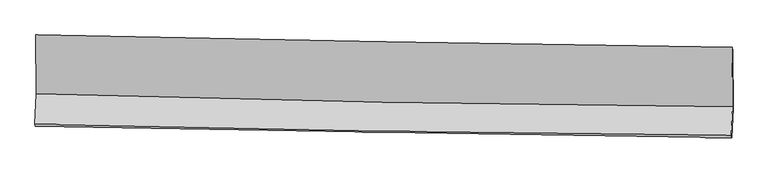
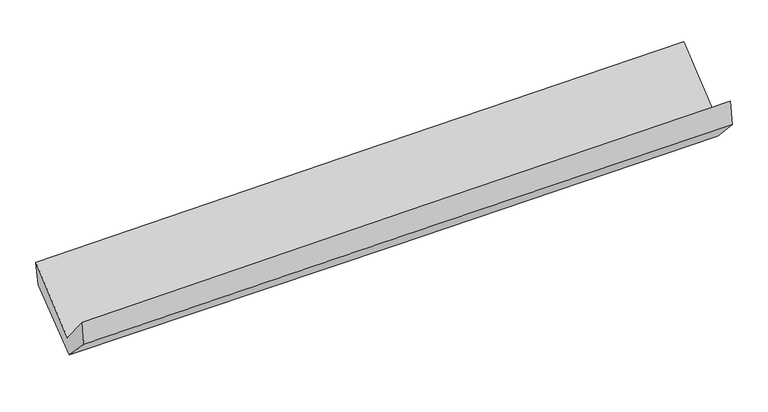
"""IFC4 building model written with IfcOpenShell, lengths in millimetres: proxy geometry."""

from ifc_helpers import new_model, si_unit, frame, origin, place, context, project, spatial, source, transform, mapped, element, save
from ifc_brep_helpers import plane_surface, spline_curve, spline_surface, advanced_brep


def generic_models_477fc20a(model_context):
    return source(origin(), model_context, "Body", "AdvancedBrep", [
        advanced_brep(
        [(-3023.353545, -1156.556741, 2177.3107471), (-3020.6182279, -1666.2541018, 1731.6441343), (3010.9749469, -1777.5012108, 1890.3589126), (3007.0539036, -1263.3070851, 2325.1768907), (-3032.1989247, -1930.8687547, 2053.7442473), (2999.9977185, -2025.7778956, 2197.3208135), (-3027.4240968, -1946.2904316, 1840.5078221), (3005.2134948, -2049.4010129, 1975.1002571), (-3017.4249256, -1692.6667941, 1578.6377105), (3015.3627068, -1796.6358728, 1703.814551), (-3018.8384476, -1186.4575458, 1965.7794552), (3012.2657085, -1291.148395, 2100.8406849)],
        [
            (0, 1),
            (1, 2, spline_curve(3, [(-3020.6182279, -1666.2541018, 1731.6441343), (-2015.787970233, -1697.747434758, 1775.496654221), (-1010.641962978, -1722.765238859, 1810.650029216), (999.88934157, -1759.84255779, 1863.548170148), (2005.274392446, -1771.907123027, 1881.299721147), (3010.9749469, -1777.5012108, 1890.3589126)], [4, 2, 4], [0.0, 9.900384284697617, 19.796906638464467])),
            (2, 3),
            (3, 0, spline_curve(3, [(3007.0539036, -1263.3070851, 2325.1768907), (2001.957939902, -1250.237561851, 2307.070195258), (996.974015249, -1234.809133786, 2285.697709669), (-1013.161888323, -1199.227527243, 2236.411544709), (-2018.313780021, -1179.072507132, 2208.495315453), (-3023.353545, -1156.556741, 2177.3107471)], [4, 2, 4], [0.0, 9.89652235376685, 19.796906638464467])),
            (1, 4),
            (4, 5, spline_curve(3, [(-3032.1989247, -1930.8687547, 2053.7442473), (-2027.077999911, -1956.309155485, 2089.228809784), (-1021.736378636, -1976.939055759, 2118.937012192), (988.996008001, -2008.571684027, 2166.791361702), (1994.386601053, -2019.578163874, 2184.942014822), (2999.9977185, -2025.7778956, 2197.3208135)], [4, 2, 4], [0.0, 9.901732863515996, 19.799603270049094])),
            (5, 2),
            (4, 6),
            (6, 7, spline_curve(3, [(-3027.4240968, -1946.2904316, 1840.5078221), (-2021.985477466, -1965.94089852, 1868.189568554), (-1016.448280207, -1984.360116494, 1893.248154121), (994.430994118, -2018.729349642, 1938.110253293), (1999.772993589, -2034.68032568, 1957.915812346), (3005.2134948, -2049.4010129, 1975.1002571)], [4, 2, 4], [0.0, 9.901721286216867, 19.799580119966897])),
            (7, 5),
            (6, 8),
            (8, 9, spline_curve(3, [(-3017.4249256, -1692.6667941, 1578.6377105), (-2011.824107752, -1712.693918435, 1598.880073016), (-1006.193318436, -1731.372997709, 1619.434753406), (1004.735915601, -1766.028305621, 1661.160610818), (2010.034337089, -1782.005586035, 1682.331543582), (3015.3627068, -1796.6358728, 1703.814551)], [4, 2, 4], [0.0, 9.901881160220782, 19.79989980561125])),
            (9, 7),
            (8, 10),
            (10, 11, spline_curve(3, [(-3018.8384476, -1186.4575458, 1965.7794552), (-2013.422439601, -1203.729410524, 1986.598514805), (-1008.024381846, -1221.091299788, 2008.265508413), (1002.343656488, -1255.988319788, 2053.28657939), (2007.313650635, -1273.523380224, 2076.639996155), (3012.2657085, -1291.148395, 2100.8406849)], [4, 2, 4], [0.0, 9.900640510612847, 19.797418990346607])),
            (11, 9),
            (10, 0),
            (3, 11),
        ],
        [
            spline_surface(3, 3, [[(-3023.353545, -1156.556741, 2177.3107471), (-2018.313779912, -1179.072507172, 2208.495315435), (-1013.161888364, -1199.227527209, 2236.41154458), (996.97401529, -1234.809133821, 2285.697709798), (2001.957939952, -1250.237561869, 2307.070195171), (3007.0539036, -1263.3070851, 2325.1768907)], [(-3022.441772625, -1326.455861256, 2028.755209506), (-2017.471843368, -1351.964149651, 2064.162428394), (-1012.321913233, -1373.74009779, 2094.491039492), (997.945790719, -1409.820275104, 2144.981196547), (2003.06342415, -1424.127415603, 2165.146703823), (3008.360918042, -1434.705127015, 2180.237564676)], [(-3021.530000275, -1496.354981544, 1880.199671894), (-2016.629906849, -1524.855792163, 1919.829541333), (-1011.481938109, -1548.252668384, 1952.570534405), (998.917566141, -1584.8314164, 2004.264683297), (2004.168908322, -1598.017269293, 2023.223212447), (3009.667932458, -1606.103168885, 2035.298238624)], [(-3020.6182279, -1666.2541018, 1731.6441343), (-2015.787970305, -1697.747434643, 1775.496654292), (-1010.641962978, -1722.765238966, 1810.650029317), (999.88934157, -1759.842557684, 1863.548170046), (2005.27439252, -1771.907123028, 1881.299721099), (3010.9749469, -1777.5012108, 1890.3589126)]], [4, 4], [4, 2, 4], [0.0, 2.2121263953539945], [0.0, 9.900384284697617, 19.796906638464467]),
            spline_surface(3, 3, [[(-3020.6182279, -1666.2541018, 1731.6441343), (-2015.787970305, -1697.747434643, 1775.496654292), (-1010.641962978, -1722.765238966, 1810.650029317), (999.88934157, -1759.842557684, 1863.548170046), (2005.27439252, -1771.907123028, 1881.299721099), (3010.9749469, -1777.5012108, 1890.3589126)], [(-3024.47846019, -1754.458986101, 1839.010838631), (-2019.551313491, -1783.93467497, 1880.0740394), (-1014.340101508, -1807.489844575, 1913.41235691), (996.258230379, -1842.752266416, 1964.629234), (2001.645128727, -1854.46413669, 1982.513819001), (3007.31587077, -1860.260105739, 1992.679546227)], [(-3028.33869241, -1842.663870399, 1946.377542969), (-2023.314656606, -1870.121915293, 1984.651424515), (-1018.03824007, -1892.21445024, 2016.174684447), (992.627119156, -1925.661975204, 2065.710297899), (1998.015864924, -1937.021150336, 2083.727916921), (3003.65679463, -1943.019000661, 2095.000179873)], [(-3032.1989247, -1930.8687547, 2053.7442473), (-2027.077999792, -1956.30915562, 2089.228809623), (-1021.7363786, -1976.93905585, 2118.93701204), (988.996007966, -2008.571683936, 2166.791361854), (1994.386601131, -2019.578163998, 2184.942014823), (2999.9977185, -2025.7778956, 2197.3208135)]], [4, 4], [4, 2, 4], [0.0, 1.2993208510583099], [0.0, 9.901732863515996, 19.799603270049094]),
            spline_surface(3, 3, [[(-3032.1989247, -1930.8687547, 2053.7442473), (-2027.077999792, -1956.30915562, 2089.228809623), (-1021.7363786, -1976.93905585, 2118.93701204), (988.996007966, -2008.571683936, 2166.791361854), (1994.386601131, -2019.578163998, 2184.942014823), (2999.9977185, -2025.7778956, 2197.3208135)], [(-3030.607315395, -1936.00931367, 1982.665438919), (-2025.380492375, -1959.519736551, 2015.549062568), (-1019.973679113, -1979.412742691, 2043.707392762), (990.807669961, -2011.957572547, 2090.564325609), (1996.182065315, -2024.612217856, 2109.266613997), (3001.736310581, -2033.652268041, 2123.247294706)], [(-3029.015706105, -1941.14987263, 1911.586630481), (-2023.682984973, -1962.730317471, 1941.869315454), (-1018.210979577, -1981.88642953, 1968.477773528), (992.619332005, -2015.343461155, 2014.337289409), (1997.977529554, -2029.646271689, 2033.591213151), (3003.474902719, -2041.526640459, 2049.173775894)], [(-3027.4240968, -1946.2904316, 1840.5078221), (-2021.985477556, -1965.940898402, 1868.189568399), (-1016.448280089, -1984.360116371, 1893.24815425), (994.430994, -2018.729349765, 1938.110253164), (1999.772993737, -2034.680325546, 1957.915812325), (3005.2134948, -2049.4010129, 1975.1002571)]], [4, 4], [4, 2, 4], [0.0, 0.7461205603991287], [0.0, 9.901721286216867, 19.799580119966897]),
            spline_surface(3, 3, [[(-3027.4240968, -1946.2904316, 1840.5078221), (-2021.985477556, -1965.940898402, 1868.189568399), (-1016.448280089, -1984.360116371, 1893.24815425), (994.430994, -2018.729349765, 1938.110253164), (1999.772993737, -2034.680325546, 1957.915812325), (3005.2134948, -2049.4010129, 1975.1002571)], [(-3024.091039714, -1861.749219082, 1753.217784884), (-2018.598354276, -1881.525238377, 1778.419736608), (-1013.029959559, -1900.031076802, 1801.977020705), (997.865967894, -1934.495668432, 1845.793705683), (2003.193441583, -1950.455412361, 1866.054389432), (3008.596565491, -1965.145966193, 1884.671688386)], [(-3020.757982686, -1777.208006618, 1665.927747716), (-2015.211231055, -1797.109578406, 1688.649904867), (-1009.611639038, -1815.702037182, 1710.705887105), (1001.300941779, -1850.261987049, 1753.477158147), (2006.613889355, -1866.230499198, 1774.192966582), (3011.979636109, -1880.890919507, 1794.243119714)], [(-3017.4249256, -1692.6667941, 1578.6377105), (-2011.824107775, -1712.693918381, 1598.880073077), (-1006.193318508, -1731.372997613, 1619.434753559), (1004.735915673, -1766.028305716, 1661.160610665), (2010.034337201, -1782.005586013, 1682.33154369), (3015.3627068, -1796.6358728, 1703.814551)]], [4, 4], [4, 2, 4], [0.0, 1.2270099087805613], [0.0, 9.901881160220782, 19.79989980561125]),
            spline_surface(3, 3, [[(-3017.4249256, -1692.6667941, 1578.6377105), (-2011.824107775, -1712.693918381, 1598.880073077), (-1006.193318508, -1731.372997613, 1619.434753559), (1004.735915673, -1766.028305716, 1661.160610665), (2010.034337201, -1782.005586013, 1682.33154369), (3015.3627068, -1796.6358728, 1703.814551)], [(-3017.896099596, -1523.930378014, 1707.684958746), (-2012.356885039, -1543.039082457, 1728.119553702), (-1006.803672876, -1561.279098354, 1749.045005125), (1003.938495914, -1596.014977076, 1791.86926696), (2009.127441617, -1612.511517426, 1813.767694512), (3014.330374014, -1628.140046868, 1836.156595649)], [(-3018.367273604, -1355.193961886, 1836.732206954), (-2012.889662316, -1373.384246492, 1857.359034291), (-1007.414027316, -1391.185199068, 1878.655256689), (1003.141076084, -1426.001648409, 1922.577923252), (2008.22054609, -1443.017448835, 1945.203845287), (3013.298041286, -1459.644220932, 1968.498640251)], [(-3018.8384476, -1186.4575458, 1965.7794552), (-2013.42243958, -1203.729410567, 1986.598514916), (-1008.024381685, -1221.091299809, 2008.265508255), (1002.343656326, -1255.988319768, 2053.286579548), (2007.313650507, -1273.523380247, 2076.639996109), (3012.2657085, -1291.148395, 2100.8406849)]], [4, 4], [4, 2, 4], [0.0, 2.107774154810818], [0.0, 9.900640510612847, 19.797418990346607]),
            spline_surface(3, 3, [[(-3018.8384476, -1186.4575458, 1965.7794552), (-2013.42243958, -1203.729410567, 1986.598514916), (-1008.024381685, -1221.091299809, 2008.265508255), (1002.343656326, -1255.988319768, 2053.286579548), (2007.313650507, -1273.523380247, 2076.639996109), (3012.2657085, -1291.148395, 2100.8406849)], [(-3020.343480081, -1176.490610877, 2036.289885814), (-2015.052886371, -1195.510442779, 2060.56411507), (-1009.736883935, -1213.803375605, 2084.314187007), (1000.553775957, -1248.928591115, 2130.756956275), (2005.528413657, -1265.761440766, 2153.450062451), (3010.528440202, -1281.867958345, 2175.619420155)], [(-3021.848512519, -1166.523675923, 2106.800316486), (-2016.683333121, -1187.29147496, 2134.529715281), (-1011.449386113, -1206.515451413, 2160.362865828), (998.76389566, -1241.868862474, 2208.227333071), (2003.743176802, -1257.999501351, 2230.260128829), (3008.791171898, -1272.587521755, 2250.398155445)], [(-3023.353545, -1156.556741, 2177.3107471), (-2018.313779912, -1179.072507172, 2208.495315435), (-1013.161888364, -1199.227527209, 2236.41154458), (996.97401529, -1234.809133821, 2285.697709798), (2001.957939952, -1250.237561869, 2307.070195171), (3007.0539036, -1263.3070851, 2325.1768907)]], [4, 4], [4, 2, 4], [0.0, 0.7589925239894949], [0.0, 9.89915963073756, 19.794457808256013]),
            plane_surface(frame((3008.4780798, -1700.6285787, 2032.1020183), z_axis=(0.9996000884590427, -0.01342418930747754, 0.02488883874573539), x_axis=(-0.00481818479380555, 0.7864169749470127, 0.6176772025989646))),
            plane_surface(frame((-3023.3096946, -1596.5157282, 1891.2706861), z_axis=(-0.9996092567144352, 0.015166106327128597, -0.02348027064769643), x_axis=(0.02113000009022314, -0.13993142241387746, -0.9899357151438756))),
        ],
        [
            (0, [[1, 2, 3, 4]]),
            (1, [[5, 6, 7, -2]]),
            (2, [[8, 9, 10, -6]]),
            (3, [[11, 12, 13, -9]]),
            (4, [[14, 15, 16, -12]]),
            (5, [[17, -4, 18, -15]]),
            (6, [[-16, -18, -3, -7, -10, -13]]),
            (7, [[-17, -14, -11, -8, -5, -1]]),
        ],
    ),
    ])


if __name__ == "__main__":
    model = new_model("IFC4")
    model_context = context("Model", 3, world=origin())
    ifc_project = project(units=[si_unit("LENGTHUNIT", "METRE", prefix="MILLI")], contexts=[model_context])
    site = spatial("IfcSite", under=ifc_project)
    building = spatial("IfcBuilding", under=site)
    placement = place(None, origin())
    generic_models_shape = generic_models_477fc20a(model_context)
    element("IfcBuildingElementProxy", 1, Name="Generic Models", at=placement, inside=building, context=model_context, shape_type="MappedRepresentation", body=[
        mapped(generic_models_shape, transform((0.0, 0.0, 0.0), x_axis=(1.0, 0.0, 0.0), y_axis=(0.0, 1.0, 0.0), z_axis=(0.0, 0.0, 1.0))),
    ])
    save(model, "model.ifc")
